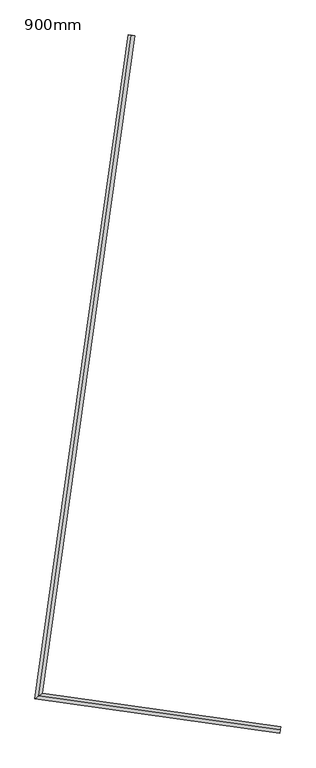
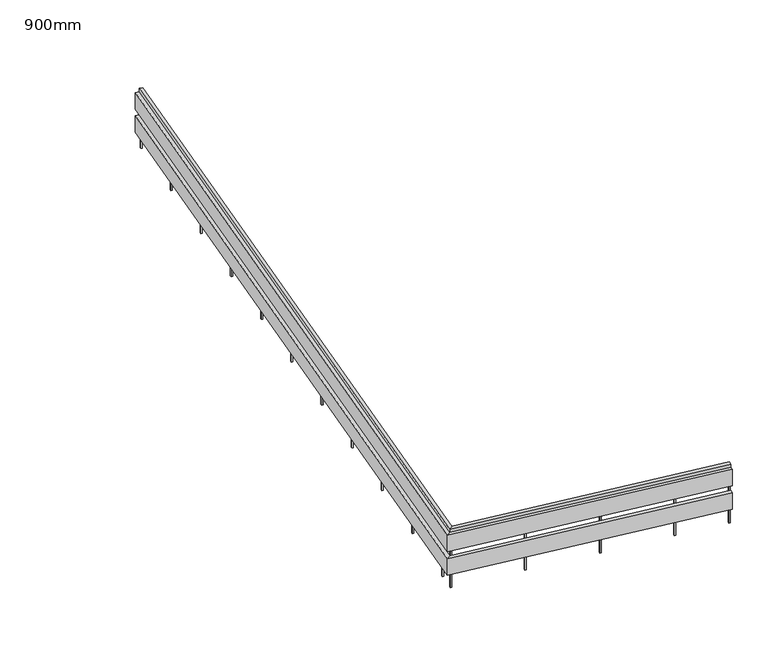
"""IFC4 building model written with IfcOpenShell, lengths in millimetres: railing geometry, 900mm."""

from ifc_helpers import new_model, si_unit, frame, origin, place, context, project, spatial, polyline, outline, extrude, faceted_brep, source, transform, mapped, element, save


def railing_900mm_cf5ede28(model_context):
    return source(origin(), model_context, "Body", "SolidModel", [
        faceted_brep([(-13399.1738655, 7520.3749539, 4200.0), (-13399.1738655, 7520.3749539, 4150.0), (-13448.6872689, 7527.3336089, 4150.0), (-13448.6872689, 7527.3336089, 4200.0), (-14823.6125996, -2615.0332858, 4200.0), (-14823.6125996, -2615.0332858, 4150.0), (-14880.084658, -2657.5880342, 4150.0), (-14880.084658, -2657.5880342, 4200.0), (-11147.6249536, -3131.659658, 4200.0), (-11154.5836087, -3181.1730614, 4200.0), (-11154.5836087, -3181.1730614, 4150.0), (-11147.6249536, -3131.659658, 4150.0)], [[[0, 1, 2, 3]], [[1, 0, 4, 5]], [[2, 1, 5, 6]], [[3, 2, 6, 7]], [[0, 3, 7, 4]], [[8, 9, 10, 11]], [[5, 4, 8, 11]], [[6, 5, 11, 10]], [[7, 6, 10, 9]], [[4, 7, 9, 8]]]),
        faceted_brep([(-13448.6872689, 7527.3336089, 4150.0), (-13448.6872689, 7527.3336089, 3900.0), (-13498.2006724, 7534.292264, 3900.0), (-13498.2006724, 7534.292264, 4150.0), (-14880.084658, -2657.5880342, 4150.0), (-14880.084658, -2657.5880342, 3900.0), (-14936.5567165, -2700.1427826, 3900.0), (-14936.5567165, -2700.1427826, 4150.0), (-11154.5836087, -3181.1730614, 4150.0), (-11161.5422637, -3230.6864648, 4150.0), (-11161.5422637, -3230.6864648, 3900.0), (-11154.5836087, -3181.1730614, 3900.0)], [[[0, 1, 2, 3]], [[1, 0, 4, 5]], [[2, 1, 5, 6]], [[3, 2, 6, 7]], [[0, 3, 7, 4]], [[8, 9, 10, 11]], [[5, 4, 8, 11]], [[6, 5, 11, 10]], [[7, 6, 10, 9]], [[4, 7, 9, 8]]]),
        faceted_brep([(-13448.6872689, 7527.3336089, 3800.0), (-13448.6872689, 7527.3336089, 3550.0), (-13498.2006724, 7534.292264, 3550.0), (-13498.2006724, 7534.292264, 3800.0), (-14880.084658, -2657.5880342, 3800.0), (-14880.084658, -2657.5880342, 3550.0), (-14936.5567165, -2700.1427826, 3550.0), (-14936.5567165, -2700.1427826, 3800.0), (-11154.5836087, -3181.1730614, 3800.0), (-11161.5422637, -3230.6864648, 3800.0), (-11161.5422637, -3230.6864648, 3550.0), (-11154.5836087, -3181.1730614, 3550.0)], [[[0, 1, 2, 3]], [[1, 0, 4, 5]], [[2, 1, 5, 6]], [[3, 2, 6, 7]], [[0, 3, 7, 4]], [[8, 9, 10, 11]], [[5, 4, 8, 11]], [[6, 5, 11, 10]], [[7, 6, 10, 9]], [[4, 7, 9, 8]]]),
        extrude(outline(polyline([(-11889.5553722, -3042.5355512), (-11869.7500109, -3045.3190132), (-11872.5334729, -3065.1243746), (-11892.3388343, -3062.3409126), (-11889.5553722, -3042.5355512)])), frame((0.0, 0.0, 3300.0), z_axis=(0.0, 0.0, 1.0), x_axis=(1.0, 0.0, 0.0)), (0.0, 0.0, 1.0), 850.0),
        extrude(outline(polyline([(-12879.823441, -2903.3624503), (-12860.0180796, -2906.1459123), (-12862.8015416, -2925.9512737), (-12882.606903, -2923.1678116), (-12879.823441, -2903.3624503)])), frame((0.0, 0.0, 3300.0), z_axis=(0.0, 0.0, 1.0), x_axis=(1.0, 0.0, 0.0)), (0.0, 0.0, 1.0), 850.0),
        extrude(outline(polyline([(-13870.0915097, -2764.1893493), (-13850.2861484, -2766.9728113), (-13853.0696104, -2786.7781727), (-13872.8749717, -2783.9947107), (-13870.0915097, -2764.1893493)])), frame((0.0, 0.0, 3300.0), z_axis=(0.0, 0.0, 1.0), x_axis=(1.0, 0.0, 0.0)), (0.0, 0.0, 1.0), 850.0),
        extrude(outline(polyline([(-14804.3671651, -2370.3154563), (-14807.1506271, -2390.1208177), (-14826.9559885, -2387.3373557), (-14824.1725265, -2367.5319943), (-14804.3671651, -2370.3154563)])), frame((0.0, 0.0, 3300.0), z_axis=(0.0, 0.0, 1.0), x_axis=(1.0, 0.0, 0.0)), (0.0, 0.0, 1.0), 850.0),
        extrude(outline(polyline([(-14665.1940642, -1380.0473876), (-14667.9775262, -1399.852749), (-14687.7828875, -1397.0692869), (-14684.9994255, -1377.2639256), (-14665.1940642, -1380.0473876)])), frame((0.0, 0.0, 3300.0), z_axis=(0.0, 0.0, 1.0), x_axis=(1.0, 0.0, 0.0)), (0.0, 0.0, 1.0), 850.0),
        extrude(outline(polyline([(-14526.0209632, -389.7793188), (-14528.8044252, -409.5846802), (-14548.6097866, -406.8012182), (-14545.8263246, -386.9958568), (-14526.0209632, -389.7793188)])), frame((0.0, 0.0, 3300.0), z_axis=(0.0, 0.0, 1.0), x_axis=(1.0, 0.0, 0.0)), (0.0, 0.0, 1.0), 850.0),
        extrude(outline(polyline([(-14386.8478622, 600.4887499), (-14389.6313243, 580.6833885), (-14409.4366856, 583.4668505), (-14406.6532236, 603.2722119), (-14386.8478622, 600.4887499)])), frame((0.0, 0.0, 3300.0), z_axis=(0.0, 0.0, 1.0), x_axis=(1.0, 0.0, 0.0)), (0.0, 0.0, 1.0), 850.0),
        extrude(outline(polyline([(-14247.6747613, 1590.7568186), (-14250.4582233, 1570.9514573), (-14270.2635847, 1573.7349193), (-14267.4801226, 1593.5402807), (-14247.6747613, 1590.7568186)])), frame((0.0, 0.0, 3300.0), z_axis=(0.0, 0.0, 1.0), x_axis=(1.0, 0.0, 0.0)), (0.0, 0.0, 1.0), 850.0),
        extrude(outline(polyline([(-14108.5016603, 2581.0248874), (-14111.2851223, 2561.219526), (-14131.0904837, 2564.002988), (-14128.3070217, 2583.8083494), (-14108.5016603, 2581.0248874)])), frame((0.0, 0.0, 3300.0), z_axis=(0.0, 0.0, 1.0), x_axis=(1.0, 0.0, 0.0)), (0.0, 0.0, 1.0), 850.0),
        extrude(outline(polyline([(-13969.3285594, 3571.2929561), (-13972.1120214, 3551.4875948), (-13991.9173827, 3554.2710568), (-13989.1339207, 3574.0764181), (-13969.3285594, 3571.2929561)])), frame((0.0, 0.0, 3300.0), z_axis=(0.0, 0.0, 1.0), x_axis=(1.0, 0.0, 0.0)), (0.0, 0.0, 1.0), 850.0),
        extrude(outline(polyline([(-13830.1554584, 4561.5610249), (-13832.9389204, 4541.7556635), (-13852.7442818, 4544.5391255), (-13849.9608198, 4564.3444869), (-13830.1554584, 4561.5610249)])), frame((0.0, 0.0, 3300.0), z_axis=(0.0, 0.0, 1.0), x_axis=(1.0, 0.0, 0.0)), (0.0, 0.0, 1.0), 850.0),
        extrude(outline(polyline([(-13690.9823574, 5551.8290936), (-13693.7658195, 5532.0237322), (-13713.5711808, 5534.8071943), (-13710.7877188, 5554.6125556), (-13690.9823574, 5551.8290936)])), frame((0.0, 0.0, 3300.0), z_axis=(0.0, 0.0, 1.0), x_axis=(1.0, 0.0, 0.0)), (0.0, 0.0, 1.0), 850.0),
        extrude(outline(polyline([(-13551.8092565, 6542.0971624), (-13554.5927185, 6522.291801), (-13574.3980799, 6525.075263), (-13571.6146178, 6544.8806244), (-13551.8092565, 6542.0971624)])), frame((0.0, 0.0, 3300.0), z_axis=(0.0, 0.0, 1.0), x_axis=(1.0, 0.0, 0.0)), (0.0, 0.0, 1.0), 850.0),
        extrude(outline(polyline([(-14840.5542171, -2627.7997104), (-14843.3376791, -2647.6050717), (-14863.1430405, -2644.8216097), (-14860.3595785, -2625.0162483), (-14840.5542171, -2627.7997104)])), frame((0.0, 0.0, 3300.0), z_axis=(0.0, 0.0, 1.0), x_axis=(1.0, 0.0, 0.0)), (0.0, 0.0, 1.0), 850.0),
        extrude(outline(polyline([(-11169.5179115, -3143.730217), (-11149.7125501, -3146.513679), (-11152.4960122, -3166.3190404), (-11172.3013735, -3163.5355783), (-11169.5179115, -3143.730217)])), frame((0.0, 0.0, 3300.0), z_axis=(0.0, 0.0, 1.0), x_axis=(1.0, 0.0, 0.0)), (0.0, 0.0, 1.0), 850.0),
        extrude(outline(polyline([(-13414.0278865, 7522.4625504), (-13416.8113485, 7502.657189), (-13436.6167099, 7505.4406511), (-13433.8332479, 7525.2460124), (-13414.0278865, 7522.4625504)])), frame((0.0, 0.0, 3300.0), z_axis=(0.0, 0.0, 1.0), x_axis=(1.0, 0.0, 0.0)), (0.0, 0.0, 1.0), 850.0),
    ])


if __name__ == "__main__":
    model = new_model("IFC4")
    model_context = context("Model", 3, world=origin())
    ifc_project = project(units=[si_unit("LENGTHUNIT", "METRE", prefix="MILLI")], contexts=[model_context])
    site = spatial("IfcSite", under=ifc_project)
    building = spatial("IfcBuilding", under=site)
    placement = place(None, origin())
    railing_900mm_shape = railing_900mm_cf5ede28(model_context)
    element("IfcRailing", 1, ObjectType="900mm", at=placement, inside=building, context=model_context, shape_type="MappedRepresentation", body=[
        mapped(railing_900mm_shape, transform((0.0, 0.0, 0.0), x_axis=(1.0, 0.0, 0.0), y_axis=(0.0, 1.0, 0.0), z_axis=(0.0, 0.0, 1.0))),
    ])
    save(model, "model.ifc")
